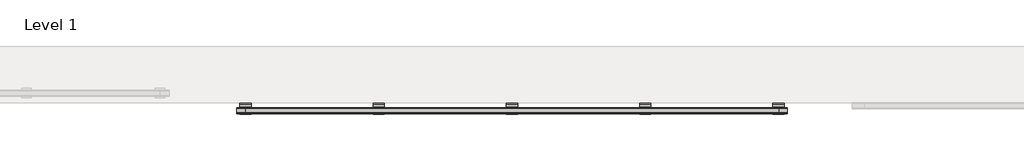
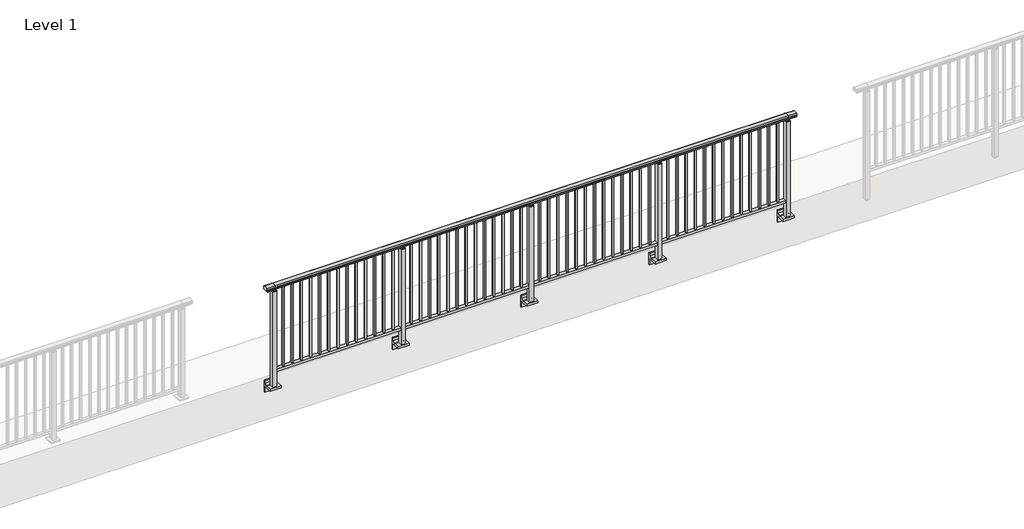
# One storey, part 18 of 64: 1 railing.
"""IFC4 building model written with IfcOpenShell, lengths in millimetres."""

from ifc_helpers import new_model, si_unit, point, frame, frame_2d, origin, place, context, project, spatial, polyline, circle_curve, trimmed, segment, composite_curve, outline, extrude, element, save
from ifc_brep_helpers import plane_surface, cylinder_surface, revolved_surface, advanced_brep

model = new_model("IFC4")

# Units and contexts
model_context = context("Model", 3, world=origin())
ifc_project = project(units=[si_unit("LENGTHUNIT", "METRE", prefix="MILLI")], contexts=[model_context])

# Site, building, storey
site = spatial("IfcSite", under=ifc_project)
building = spatial("IfcBuilding", under=site)
storey = spatial("IfcBuildingStorey", under=building, Name="Level 1", Elevation=0.0)

# Railing
placement = place(None, origin())
element("IfcRailing", 1, at=placement, inside=storey, context=model_context, shape_type="SolidModel", body=[
    advanced_brep(
    [(12910.0, 14842.8633756, 1095.6691182), (12910.0, 14847.6846828, 1081.1334092), (12910.0, 14846.7413744, 1069.2539035), (12910.0, 14848.6364177, 1061.4863007), (12910.0, 14846.9894799, 1060.384124), (12910.0, 14846.9894799, 1062.0), (12910.0, 14788.3798858, 1062.0), (12910.0, 14788.3798858, 1060.384124), (12910.0, 14786.732948, 1061.4863007), (12910.0, 14788.6279912, 1069.2539035), (12910.0, 14787.6846828, 1081.1334092), (12910.0, 14792.50599, 1095.6691182), (18690.0, 14842.8633756, 1095.6691182), (18690.0, 14792.50599, 1095.6691182), (18690.0, 14787.6846828, 1081.1334092), (18690.0, 14788.6279912, 1069.2539035), (18690.0, 14786.732948, 1061.4863007), (18690.0, 14788.3798858, 1060.384124), (18690.0, 14788.3798858, 1062.0), (18690.0, 14846.9894799, 1062.0), (18690.0, 14846.9894799, 1060.384124), (18690.0, 14848.6364177, 1061.4863007), (18690.0, 14846.7413744, 1069.2539035), (18690.0, 14847.6846828, 1081.1334092), (13000.0, 14842.8633756, 1095.6691182), (13000.0, 14847.6846828, 1081.1334092), (13000.0, 14846.7413744, 1069.2539035), (13000.0, 14848.6364177, 1061.4863007), (13000.0, 14846.9894799, 1060.384124), (13000.0, 14846.9894799, 1062.0), (13000.0, 14788.3798858, 1062.0), (13000.0, 14788.3798858, 1060.384124), (13000.0, 14786.732948, 1061.4863007), (13000.0, 14788.6279912, 1069.2539035), (13000.0, 14787.6846828, 1081.1334092), (13000.0, 14792.50599, 1095.6691182), (18600.0, 14842.8633756, 1095.6691182), (18600.0, 14847.6846828, 1081.1334092), (18600.0, 14846.7413744, 1069.2539035), (18600.0, 14848.6364177, 1061.4863007), (18600.0, 14846.9894799, 1060.384124), (18600.0, 14846.9894799, 1062.0), (18600.0, 14788.3798858, 1062.0), (18600.0, 14788.3798858, 1060.384124), (18600.0, 14786.732948, 1061.4863007), (18600.0, 14788.6279912, 1069.2539035), (18600.0, 14787.6846828, 1081.1334092), (18600.0, 14792.50599, 1095.6691182)],
    [
        (0, 1, circle_curve(frame((12910.0, 14839.6223845, 1086.526686), z_axis=(-1.0, 0.0, 0.0), x_axis=(0.0, -1.0, 0.0)), 9.6999015)),
        (1, 2, circle_curve(frame((12910.0, 14865.2252545, 1073.7633709), z_axis=(1.0, 0.0, 0.0), x_axis=(0.0, -1.0, 0.0)), 19.0260117)),
        (2, 3),
        (3, 4, circle_curve(frame((12910.0, 14847.7772073, 1060.9886194), z_axis=(-1.0, 0.0, 0.0), x_axis=(0.0, -1.0, 0.0)), 0.9929396)),
        (4, 5),
        (5, 6),
        (6, 7),
        (7, 8, circle_curve(frame((12910.0, 14787.5921584, 1060.9886194), z_axis=(-1.0, 0.0, 0.0), x_axis=(0.0, 1.0, 0.0)), 0.9929396)),
        (8, 9),
        (9, 10, circle_curve(frame((12910.0, 14770.1441111, 1073.7633709), z_axis=(1.0, 0.0, 0.0), x_axis=(0.0, 1.0, 0.0)), 19.0260117)),
        (10, 11, circle_curve(frame((12910.0, 14795.7469812, 1086.526686), z_axis=(-1.0, 0.0, 0.0), x_axis=(0.0, 1.0, 0.0)), 9.6999015)),
        (11, 0, circle_curve(frame((12910.0, 14817.6846828, 1024.6431628), z_axis=(-1.0, 0.0, 0.0), x_axis=(0.0, 1.0, 0.0)), 75.3568372)),
        (12, 13, circle_curve(frame((18690.0, 14817.6846828, 1024.6431628), z_axis=(1.0, 0.0, 0.0), x_axis=(0.0, 1.0, 0.0)), 75.3568372)),
        (13, 14, circle_curve(frame((18690.0, 14795.7469812, 1086.526686), z_axis=(1.0, 0.0, 0.0), x_axis=(0.0, 1.0, 0.0)), 9.6999015)),
        (14, 15, circle_curve(frame((18690.0, 14770.1441111, 1073.7633709), z_axis=(-1.0, 0.0, 0.0), x_axis=(0.0, 1.0, 0.0)), 19.0260117)),
        (15, 16),
        (16, 17, circle_curve(frame((18690.0, 14787.5921584, 1060.9886194), z_axis=(1.0, 0.0, 0.0), x_axis=(0.0, 1.0, 0.0)), 0.9929396)),
        (17, 18),
        (18, 19),
        (19, 20),
        (20, 21, circle_curve(frame((18690.0, 14847.7772073, 1060.9886194), z_axis=(1.0, 0.0, 0.0), x_axis=(0.0, -1.0, 0.0)), 0.9929396)),
        (21, 22),
        (22, 23, circle_curve(frame((18690.0, 14865.2252545, 1073.7633709), z_axis=(-1.0, 0.0, 0.0), x_axis=(0.0, -1.0, 0.0)), 19.0260117)),
        (23, 12, circle_curve(frame((18690.0, 14839.6223845, 1086.526686), z_axis=(1.0, 0.0, 0.0), x_axis=(0.0, -1.0, 0.0)), 9.6999015)),
        (0, 24),
        (24, 25, circle_curve(frame((13000.0, 14839.6223845, 1086.526686), z_axis=(-1.0, 0.0, 0.0), x_axis=(0.0, -1.0, 0.0)), 9.6999015)),
        (25, 1),
        (25, 26, circle_curve(frame((13000.0, 14865.2252545, 1073.7633709), z_axis=(1.0, 0.0, 0.0), x_axis=(0.0, -1.0, 0.0)), 19.0260117)),
        (26, 2),
        (26, 27),
        (27, 3),
        (27, 28, circle_curve(frame((13000.0, 14847.7772073, 1060.9886194), z_axis=(-1.0, 0.0, 0.0), x_axis=(0.0, -1.0, 0.0)), 0.9929396)),
        (28, 4),
        (28, 29),
        (29, 5),
        (29, 30),
        (30, 6),
        (30, 31),
        (31, 7),
        (31, 32, circle_curve(frame((13000.0, 14787.5921584, 1060.9886194), z_axis=(-1.0, 0.0, 0.0), x_axis=(0.0, 1.0, 0.0)), 0.9929396)),
        (32, 8),
        (32, 33),
        (33, 9),
        (33, 34, circle_curve(frame((13000.0, 14770.1441111, 1073.7633709), z_axis=(1.0, 0.0, 0.0), x_axis=(0.0, 1.0, 0.0)), 19.0260117)),
        (34, 10),
        (34, 35, circle_curve(frame((13000.0, 14795.7469812, 1086.526686), z_axis=(-1.0, 0.0, 0.0), x_axis=(0.0, 1.0, 0.0)), 9.6999015)),
        (35, 11),
        (35, 24, circle_curve(frame((13000.0, 14817.6846828, 1024.6431628), z_axis=(-1.0, 0.0, 0.0), x_axis=(0.0, 1.0, 0.0)), 75.3568372)),
        (24, 36),
        (36, 37, circle_curve(frame((18600.0, 14839.6223845, 1086.526686), z_axis=(-1.0, 0.0, 0.0), x_axis=(0.0, -1.0, 0.0)), 9.6999015)),
        (37, 25),
        (37, 38, circle_curve(frame((18600.0, 14865.2252545, 1073.7633709), z_axis=(1.0, 0.0, 0.0), x_axis=(0.0, -1.0, 0.0)), 19.0260117)),
        (38, 26),
        (38, 39),
        (39, 27),
        (39, 40, circle_curve(frame((18600.0, 14847.7772073, 1060.9886194), z_axis=(-1.0, 0.0, 0.0), x_axis=(0.0, -1.0, 0.0)), 0.9929396)),
        (40, 28),
        (40, 41),
        (41, 29),
        (41, 42),
        (42, 30),
        (42, 43),
        (43, 31),
        (43, 44, circle_curve(frame((18600.0, 14787.5921584, 1060.9886194), z_axis=(-1.0, 0.0, 0.0), x_axis=(0.0, 1.0, 0.0)), 0.9929396)),
        (44, 32),
        (44, 45),
        (45, 33),
        (45, 46, circle_curve(frame((18600.0, 14770.1441111, 1073.7633709), z_axis=(1.0, 0.0, 0.0), x_axis=(0.0, 1.0, 0.0)), 19.0260117)),
        (46, 34),
        (46, 47, circle_curve(frame((18600.0, 14795.7469812, 1086.526686), z_axis=(-1.0, 0.0, 0.0), x_axis=(0.0, 1.0, 0.0)), 9.6999015)),
        (47, 35),
        (47, 36, circle_curve(frame((18600.0, 14817.6846828, 1024.6431628), z_axis=(-1.0, 0.0, 0.0), x_axis=(0.0, 1.0, 0.0)), 75.3568372)),
        (36, 12),
        (23, 37),
        (22, 38),
        (21, 39),
        (20, 40),
        (19, 41),
        (18, 42),
        (17, 43),
        (16, 44),
        (15, 45),
        (14, 46),
        (13, 47),
    ],
    [
        plane_surface(frame((12910.0, 14817.6846828, 1100.0), z_axis=(-1.0, 0.0, 0.0), x_axis=(0.0, 1.0, 0.0))),
        plane_surface(frame((18690.0, 14817.6846828, 1100.0), z_axis=(1.0, 0.0, 0.0), x_axis=(0.0, 1.0, 0.0))),
        cylinder_surface(frame((12910.0, 14839.6223845, 1086.526686), z_axis=(-1.0, 0.0, 0.0), x_axis=(0.0, -1.0, 0.0)), 9.6999015),
        revolved_surface(polyline([(13000.0, 14846.1992428, 1073.7633709), (12910.0, 14846.1992428, 1073.7633709)]), (12910.0, 14865.2252545, 1073.7633709), (1.0, 0.0, 0.0)),
        plane_surface(frame((12910.0, 14846.7413744, 1069.2539035), z_axis=(0.0, 0.9715057689301543, 0.2370159086125439), x_axis=(1.0, 0.0, 0.0))),
        cylinder_surface(frame((12910.0, 14847.7772073, 1060.9886194), z_axis=(-1.0, 0.0, 0.0), x_axis=(0.0, -1.0, 0.0)), 0.9929396),
        plane_surface(frame((12910.0, 14846.9894799, 1060.384124), z_axis=(0.0, -1.0, 0.0), x_axis=(1.0, 0.0, 0.0))),
        plane_surface(frame((12910.0, 14846.9894799, 1062.0), z_axis=(0.0, 0.0, -1.0), x_axis=(1.0, 0.0, 0.0))),
        plane_surface(frame((12910.0, 14788.3798858, 1062.0), z_axis=(0.0, 1.0, 0.0), x_axis=(1.0, 0.0, 0.0))),
        cylinder_surface(frame((12910.0, 14787.5921584, 1060.9886194), z_axis=(-1.0, 0.0, 0.0), x_axis=(0.0, 1.0, 0.0)), 0.9929396),
        plane_surface(frame((12910.0, 14786.732948, 1061.4863007), z_axis=(0.0, -0.9715057689301543, 0.2370159086125439), x_axis=(1.0, 0.0, 0.0))),
        revolved_surface(polyline([(13000.0, 14789.1701228, 1073.7633709), (12910.0, 14789.1701228, 1073.7633709)]), (12910.0, 14770.1441111, 1073.7633709), (1.0, 0.0, 0.0)),
        cylinder_surface(frame((12910.0, 14795.7469812, 1086.526686), z_axis=(-1.0, 0.0, 0.0), x_axis=(0.0, 1.0, 0.0)), 9.6999015),
        cylinder_surface(frame((12910.0, 14817.6846828, 1024.6431628), z_axis=(-1.0, 0.0, 0.0), x_axis=(0.0, 1.0, 0.0)), 75.3568372),
        cylinder_surface(frame((13000.0, 14839.6223845, 1086.526686), z_axis=(-1.0, 0.0, 0.0), x_axis=(0.0, -1.0, 0.0)), 9.6999015),
        revolved_surface(polyline([(18600.0, 14846.1992428, 1073.7633709), (13000.0, 14846.1992428, 1073.7633709)]), (13000.0, 14865.2252545, 1073.7633709), (1.0, 0.0, 0.0)),
        plane_surface(frame((13000.0, 14846.7413744, 1069.2539035), z_axis=(0.0, 0.9715057689301543, 0.2370159086125439), x_axis=(1.0, 0.0, 0.0))),
        cylinder_surface(frame((13000.0, 14847.7772073, 1060.9886194), z_axis=(-1.0, 0.0, 0.0), x_axis=(0.0, -1.0, 0.0)), 0.9929396),
        plane_surface(frame((13000.0, 14846.9894799, 1060.384124), z_axis=(0.0, -1.0, 0.0), x_axis=(1.0, 0.0, 0.0))),
        plane_surface(frame((13000.0, 14846.9894799, 1062.0), z_axis=(0.0, 0.0, -1.0), x_axis=(1.0, 0.0, 0.0))),
        plane_surface(frame((13000.0, 14788.3798858, 1062.0), z_axis=(0.0, 1.0, 0.0), x_axis=(1.0, 0.0, 0.0))),
        cylinder_surface(frame((13000.0, 14787.5921584, 1060.9886194), z_axis=(-1.0, 0.0, 0.0), x_axis=(0.0, 1.0, 0.0)), 0.9929396),
        plane_surface(frame((13000.0, 14786.732948, 1061.4863007), z_axis=(0.0, -0.9715057689301543, 0.2370159086125439), x_axis=(1.0, 0.0, 0.0))),
        revolved_surface(polyline([(18600.0, 14789.1701228, 1073.7633709), (13000.0, 14789.1701228, 1073.7633709)]), (13000.0, 14770.1441111, 1073.7633709), (1.0, 0.0, 0.0)),
        cylinder_surface(frame((13000.0, 14795.7469812, 1086.526686), z_axis=(-1.0, 0.0, 0.0), x_axis=(0.0, 1.0, 0.0)), 9.6999015),
        cylinder_surface(frame((13000.0, 14817.6846828, 1024.6431628), z_axis=(-1.0, 0.0, 0.0), x_axis=(0.0, 1.0, 0.0)), 75.3568372),
        cylinder_surface(frame((18600.0, 14839.6223845, 1086.526686), z_axis=(-1.0, 0.0, 0.0), x_axis=(0.0, -1.0, 0.0)), 9.6999015),
        revolved_surface(polyline([(18690.0, 14846.1992428, 1073.7633709), (18600.0, 14846.1992428, 1073.7633709)]), (18600.0, 14865.2252545, 1073.7633709), (1.0, 0.0, 0.0)),
        plane_surface(frame((18600.0, 14846.7413744, 1069.2539035), z_axis=(0.0, 0.9715057689301543, 0.2370159086125439), x_axis=(1.0, 0.0, 0.0))),
        cylinder_surface(frame((18600.0, 14847.7772073, 1060.9886194), z_axis=(-1.0, 0.0, 0.0), x_axis=(0.0, -1.0, 0.0)), 0.9929396),
        plane_surface(frame((18600.0, 14846.9894799, 1060.384124), z_axis=(0.0, -1.0, 0.0), x_axis=(1.0, 0.0, 0.0))),
        plane_surface(frame((18600.0, 14846.9894799, 1062.0), z_axis=(0.0, 0.0, -1.0), x_axis=(1.0, 0.0, 0.0))),
        plane_surface(frame((18600.0, 14788.3798858, 1062.0), z_axis=(0.0, 1.0, 0.0), x_axis=(1.0, 0.0, 0.0))),
        cylinder_surface(frame((18600.0, 14787.5921584, 1060.9886194), z_axis=(-1.0, 0.0, 0.0), x_axis=(0.0, 1.0, 0.0)), 0.9929396),
        plane_surface(frame((18600.0, 14786.732948, 1061.4863007), z_axis=(0.0, -0.9715057689301543, 0.2370159086125439), x_axis=(1.0, 0.0, 0.0))),
        revolved_surface(polyline([(18690.0, 14789.1701228, 1073.7633709), (18600.0, 14789.1701228, 1073.7633709)]), (18600.0, 14770.1441111, 1073.7633709), (1.0, 0.0, 0.0)),
        cylinder_surface(frame((18600.0, 14795.7469812, 1086.526686), z_axis=(-1.0, 0.0, 0.0), x_axis=(0.0, 1.0, 0.0)), 9.6999015),
        cylinder_surface(frame((18600.0, 14817.6846828, 1024.6431628), z_axis=(-1.0, 0.0, 0.0), x_axis=(0.0, 1.0, 0.0)), 75.3568372),
    ],
    [
        (0, [[1, 2, 3, 4, 5, 6, 7, 8, 9, 10, 11, 12]]),
        (1, [[13, 14, 15, 16, 17, 18, 19, 20, 21, 22, 23, 24]]),
        (2, [[-1, 25, 26, 27]]),
        (3, [[-2, -27, 28, 29]]),
        (4, [[-3, -29, 30, 31]]),
        (5, [[-4, -31, 32, 33]]),
        (6, [[-5, -33, 34, 35]]),
        (7, [[-6, -35, 36, 37]]),
        (8, [[-7, -37, 38, 39]]),
        (9, [[-8, -39, 40, 41]]),
        (10, [[-9, -41, 42, 43]]),
        (11, [[-10, -43, 44, 45]]),
        (12, [[-11, -45, 46, 47]]),
        (13, [[-12, -47, 48, -25]]),
        (14, [[-26, 49, 50, 51]]),
        (15, [[-28, -51, 52, 53]]),
        (16, [[-30, -53, 54, 55]]),
        (17, [[-32, -55, 56, 57]]),
        (18, [[-34, -57, 58, 59]]),
        (19, [[-36, -59, 60, 61]]),
        (20, [[-38, -61, 62, 63]]),
        (21, [[-40, -63, 64, 65]]),
        (22, [[-42, -65, 66, 67]]),
        (23, [[-44, -67, 68, 69]]),
        (24, [[-46, -69, 70, 71]]),
        (25, [[-48, -71, 72, -49]]),
        (26, [[-50, 73, -24, 74]]),
        (27, [[-52, -74, -23, 75]]),
        (28, [[-54, -75, -22, 76]]),
        (29, [[-56, -76, -21, 77]]),
        (30, [[-58, -77, -20, 78]]),
        (31, [[-60, -78, -19, 79]]),
        (32, [[-62, -79, -18, 80]]),
        (33, [[-64, -80, -17, 81]]),
        (34, [[-66, -81, -16, 82]]),
        (35, [[-68, -82, -15, 83]]),
        (36, [[-70, -83, -14, 84]]),
        (37, [[-72, -84, -13, -73]]),
    ],
),
    extrude(outline(polyline([(13000.0, 14800.1846828), (13000.0, 14835.1846828), (18600.0, 14835.1846828), (18600.0, 14800.1846828), (13000.0, 14800.1846828)])), frame((0.0, 0.0, 95.0), z_axis=(0.0, 0.0, 1.0), x_axis=(1.0, 0.0, 0.0)), (0.0, 0.0, 1.0), 30.0),
    extrude(outline(polyline([(18508.5, 14809.1846828), (18491.5, 14809.1846828), (18491.5, 14826.1846828), (18508.5, 14826.1846828), (18508.5, 14809.1846828)])), frame((0.0, 0.0, 125.0), z_axis=(0.0, 0.0, 1.0), x_axis=(1.0, 0.0, 0.0)), (0.0, 0.0, 1.0), 930.0),
    extrude(outline(polyline([(18408.5, 14809.1846828), (18391.5, 14809.1846828), (18391.5, 14826.1846828), (18408.5, 14826.1846828), (18408.5, 14809.1846828)])), frame((0.0, 0.0, 125.0), z_axis=(0.0, 0.0, 1.0), x_axis=(1.0, 0.0, 0.0)), (0.0, 0.0, 1.0), 930.0),
    extrude(outline(polyline([(18308.5, 14809.1846828), (18291.5, 14809.1846828), (18291.5, 14826.1846828), (18308.5, 14826.1846828), (18308.5, 14809.1846828)])), frame((0.0, 0.0, 125.0), z_axis=(0.0, 0.0, 1.0), x_axis=(1.0, 0.0, 0.0)), (0.0, 0.0, 1.0), 930.0),
    extrude(outline(polyline([(18208.5, 14809.1846828), (18191.5, 14809.1846828), (18191.5, 14826.1846828), (18208.5, 14826.1846828), (18208.5, 14809.1846828)])), frame((0.0, 0.0, 125.0), z_axis=(0.0, 0.0, 1.0), x_axis=(1.0, 0.0, 0.0)), (0.0, 0.0, 1.0), 930.0),
    extrude(outline(polyline([(18108.5, 14809.1846828), (18091.5, 14809.1846828), (18091.5, 14826.1846828), (18108.5, 14826.1846828), (18108.5, 14809.1846828)])), frame((0.0, 0.0, 125.0), z_axis=(0.0, 0.0, 1.0), x_axis=(1.0, 0.0, 0.0)), (0.0, 0.0, 1.0), 930.0),
    extrude(outline(polyline([(18008.5, 14809.1846828), (17991.5, 14809.1846828), (17991.5, 14826.1846828), (18008.5, 14826.1846828), (18008.5, 14809.1846828)])), frame((0.0, 0.0, 125.0), z_axis=(0.0, 0.0, 1.0), x_axis=(1.0, 0.0, 0.0)), (0.0, 0.0, 1.0), 930.0),
    extrude(outline(polyline([(17908.5, 14809.1846828), (17891.5, 14809.1846828), (17891.5, 14826.1846828), (17908.5, 14826.1846828), (17908.5, 14809.1846828)])), frame((0.0, 0.0, 125.0), z_axis=(0.0, 0.0, 1.0), x_axis=(1.0, 0.0, 0.0)), (0.0, 0.0, 1.0), 930.0),
    extrude(outline(polyline([(17808.5, 14809.1846828), (17791.5, 14809.1846828), (17791.5, 14826.1846828), (17808.5, 14826.1846828), (17808.5, 14809.1846828)])), frame((0.0, 0.0, 125.0), z_axis=(0.0, 0.0, 1.0), x_axis=(1.0, 0.0, 0.0)), (0.0, 0.0, 1.0), 930.0),
    extrude(outline(polyline([(17708.5, 14809.1846828), (17691.5, 14809.1846828), (17691.5, 14826.1846828), (17708.5, 14826.1846828), (17708.5, 14809.1846828)])), frame((0.0, 0.0, 125.0), z_axis=(0.0, 0.0, 1.0), x_axis=(1.0, 0.0, 0.0)), (0.0, 0.0, 1.0), 930.0),
    extrude(outline(polyline([(17608.5, 14809.1846828), (17591.5, 14809.1846828), (17591.5, 14826.1846828), (17608.5, 14826.1846828), (17608.5, 14809.1846828)])), frame((0.0, 0.0, 125.0), z_axis=(0.0, 0.0, 1.0), x_axis=(1.0, 0.0, 0.0)), (0.0, 0.0, 1.0), 930.0),
    extrude(outline(polyline([(17508.5, 14809.1846828), (17491.5, 14809.1846828), (17491.5, 14826.1846828), (17508.5, 14826.1846828), (17508.5, 14809.1846828)])), frame((0.0, 0.0, 125.0), z_axis=(0.0, 0.0, 1.0), x_axis=(1.0, 0.0, 0.0)), (0.0, 0.0, 1.0), 930.0),
    extrude(outline(polyline([(17408.5, 14809.1846828), (17391.5, 14809.1846828), (17391.5, 14826.1846828), (17408.5, 14826.1846828), (17408.5, 14809.1846828)])), frame((0.0, 0.0, 125.0), z_axis=(0.0, 0.0, 1.0), x_axis=(1.0, 0.0, 0.0)), (0.0, 0.0, 1.0), 930.0),
    extrude(outline(polyline([(17308.5, 14809.1846828), (17291.5, 14809.1846828), (17291.5, 14826.1846828), (17308.5, 14826.1846828), (17308.5, 14809.1846828)])), frame((0.0, 0.0, 125.0), z_axis=(0.0, 0.0, 1.0), x_axis=(1.0, 0.0, 0.0)), (0.0, 0.0, 1.0), 930.0),
    extrude(outline(composite_curve([segment(polyline([(14850.1846828, -70.0), (14884.1846828, -63.0), (14884.1846828, -32.5), (14900.1846828, -32.5), (14900.1846828, -167.5), (14884.1846828, -167.5), (14884.1846828, -113.5)]), True, "CONTINUOUS"), segment(trimmed(circle_curve(frame_2d((14864.1846828, -113.5)), 20.0), [point((14884.1846828, -113.5))], [point((14864.1846828, -93.5))], True, "CARTESIAN"), True, "CONTINUOUS"), segment(polyline([(14864.1846828, -93.5), (14780.1846828, -93.5), (14780.1846828, -70.0), (14850.1846828, -70.0)]), True, "CONTINUOUS")], self_intersect=False)), frame((17140.0, 0.0, 0.0), z_axis=(1.0, 0.0, 0.0), x_axis=(0.0, 1.0, 0.0)), (0.0, 0.0, 1.0), 120.0),
    extrude(outline(polyline([(17222.5, 14840.1846828), (17222.5, 14795.1846828), (17177.5, 14795.1846828), (17177.5, 14840.1846828), (17222.5, 14840.1846828)])), frame((0.0, 0.0, -70.0), z_axis=(0.0, 0.0, 1.0), x_axis=(1.0, 0.0, 0.0)), (0.0, 0.0, 1.0), 1097.0),
    extrude(outline(polyline([(17210.0, 14827.6846828), (17210.0, 14807.6846828), (17190.0, 14807.6846828), (17190.0, 14827.6846828), (17210.0, 14827.6846828)])), frame((0.0, 0.0, 1035.0), z_axis=(0.0, 0.0, 1.0), x_axis=(1.0, 0.0, 0.0)), (0.0, 0.0, 1.0), 20.0),
    extrude(outline(polyline([(17222.5, 14840.1846828), (17222.5, 14795.1846828), (17177.5, 14795.1846828), (17177.5, 14840.1846828), (17222.5, 14840.1846828)])), frame((0.0, 0.0, 1027.0), z_axis=(0.0, 0.0, 1.0), x_axis=(1.0, 0.0, 0.0)), (0.0, 0.0, 1.0), 8.0),
    extrude(outline(polyline([(17108.5, 14809.1846828), (17091.5, 14809.1846828), (17091.5, 14826.1846828), (17108.5, 14826.1846828), (17108.5, 14809.1846828)])), frame((0.0, 0.0, 125.0), z_axis=(0.0, 0.0, 1.0), x_axis=(1.0, 0.0, 0.0)), (0.0, 0.0, 1.0), 930.0),
    extrude(outline(polyline([(17008.5, 14809.1846828), (16991.5, 14809.1846828), (16991.5, 14826.1846828), (17008.5, 14826.1846828), (17008.5, 14809.1846828)])), frame((0.0, 0.0, 125.0), z_axis=(0.0, 0.0, 1.0), x_axis=(1.0, 0.0, 0.0)), (0.0, 0.0, 1.0), 930.0),
    extrude(outline(polyline([(16908.5, 14809.1846828), (16891.5, 14809.1846828), (16891.5, 14826.1846828), (16908.5, 14826.1846828), (16908.5, 14809.1846828)])), frame((0.0, 0.0, 125.0), z_axis=(0.0, 0.0, 1.0), x_axis=(1.0, 0.0, 0.0)), (0.0, 0.0, 1.0), 930.0),
    extrude(outline(polyline([(16808.5, 14809.1846828), (16791.5, 14809.1846828), (16791.5, 14826.1846828), (16808.5, 14826.1846828), (16808.5, 14809.1846828)])), frame((0.0, 0.0, 125.0), z_axis=(0.0, 0.0, 1.0), x_axis=(1.0, 0.0, 0.0)), (0.0, 0.0, 1.0), 930.0),
    extrude(outline(polyline([(16708.5, 14809.1846828), (16691.5, 14809.1846828), (16691.5, 14826.1846828), (16708.5, 14826.1846828), (16708.5, 14809.1846828)])), frame((0.0, 0.0, 125.0), z_axis=(0.0, 0.0, 1.0), x_axis=(1.0, 0.0, 0.0)), (0.0, 0.0, 1.0), 930.0),
    extrude(outline(polyline([(16608.5, 14809.1846828), (16591.5, 14809.1846828), (16591.5, 14826.1846828), (16608.5, 14826.1846828), (16608.5, 14809.1846828)])), frame((0.0, 0.0, 125.0), z_axis=(0.0, 0.0, 1.0), x_axis=(1.0, 0.0, 0.0)), (0.0, 0.0, 1.0), 930.0),
    extrude(outline(polyline([(16508.5, 14809.1846828), (16491.5, 14809.1846828), (16491.5, 14826.1846828), (16508.5, 14826.1846828), (16508.5, 14809.1846828)])), frame((0.0, 0.0, 125.0), z_axis=(0.0, 0.0, 1.0), x_axis=(1.0, 0.0, 0.0)), (0.0, 0.0, 1.0), 930.0),
    extrude(outline(polyline([(16408.5, 14809.1846828), (16391.5, 14809.1846828), (16391.5, 14826.1846828), (16408.5, 14826.1846828), (16408.5, 14809.1846828)])), frame((0.0, 0.0, 125.0), z_axis=(0.0, 0.0, 1.0), x_axis=(1.0, 0.0, 0.0)), (0.0, 0.0, 1.0), 930.0),
    extrude(outline(polyline([(16308.5, 14809.1846828), (16291.5, 14809.1846828), (16291.5, 14826.1846828), (16308.5, 14826.1846828), (16308.5, 14809.1846828)])), frame((0.0, 0.0, 125.0), z_axis=(0.0, 0.0, 1.0), x_axis=(1.0, 0.0, 0.0)), (0.0, 0.0, 1.0), 930.0),
    extrude(outline(polyline([(16208.5, 14809.1846828), (16191.5, 14809.1846828), (16191.5, 14826.1846828), (16208.5, 14826.1846828), (16208.5, 14809.1846828)])), frame((0.0, 0.0, 125.0), z_axis=(0.0, 0.0, 1.0), x_axis=(1.0, 0.0, 0.0)), (0.0, 0.0, 1.0), 930.0),
    extrude(outline(polyline([(16108.5, 14809.1846828), (16091.5, 14809.1846828), (16091.5, 14826.1846828), (16108.5, 14826.1846828), (16108.5, 14809.1846828)])), frame((0.0, 0.0, 125.0), z_axis=(0.0, 0.0, 1.0), x_axis=(1.0, 0.0, 0.0)), (0.0, 0.0, 1.0), 930.0),
    extrude(outline(polyline([(16008.5, 14809.1846828), (15991.5, 14809.1846828), (15991.5, 14826.1846828), (16008.5, 14826.1846828), (16008.5, 14809.1846828)])), frame((0.0, 0.0, 125.0), z_axis=(0.0, 0.0, 1.0), x_axis=(1.0, 0.0, 0.0)), (0.0, 0.0, 1.0), 930.0),
    extrude(outline(polyline([(15908.5, 14809.1846828), (15891.5, 14809.1846828), (15891.5, 14826.1846828), (15908.5, 14826.1846828), (15908.5, 14809.1846828)])), frame((0.0, 0.0, 125.0), z_axis=(0.0, 0.0, 1.0), x_axis=(1.0, 0.0, 0.0)), (0.0, 0.0, 1.0), 930.0),
    extrude(outline(composite_curve([segment(polyline([(14850.1846828, -70.0), (14884.1846828, -63.0), (14884.1846828, -32.5), (14900.1846828, -32.5), (14900.1846828, -167.5), (14884.1846828, -167.5), (14884.1846828, -113.5)]), True, "CONTINUOUS"), segment(trimmed(circle_curve(frame_2d((14864.1846828, -113.5)), 20.0), [point((14884.1846828, -113.5))], [point((14864.1846828, -93.5))], True, "CARTESIAN"), True, "CONTINUOUS"), segment(polyline([(14864.1846828, -93.5), (14780.1846828, -93.5), (14780.1846828, -70.0), (14850.1846828, -70.0)]), True, "CONTINUOUS")], self_intersect=False)), frame((15740.0, 0.0, 0.0), z_axis=(1.0, 0.0, 0.0), x_axis=(0.0, 1.0, 0.0)), (0.0, 0.0, 1.0), 120.0),
    extrude(outline(polyline([(15822.5, 14840.1846828), (15822.5, 14795.1846828), (15777.5, 14795.1846828), (15777.5, 14840.1846828), (15822.5, 14840.1846828)])), frame((0.0, 0.0, -70.0), z_axis=(0.0, 0.0, 1.0), x_axis=(1.0, 0.0, 0.0)), (0.0, 0.0, 1.0), 1097.0),
    extrude(outline(polyline([(15810.0, 14827.6846828), (15810.0, 14807.6846828), (15790.0, 14807.6846828), (15790.0, 14827.6846828), (15810.0, 14827.6846828)])), frame((0.0, 0.0, 1035.0), z_axis=(0.0, 0.0, 1.0), x_axis=(1.0, 0.0, 0.0)), (0.0, 0.0, 1.0), 20.0),
    extrude(outline(polyline([(15822.5, 14840.1846828), (15822.5, 14795.1846828), (15777.5, 14795.1846828), (15777.5, 14840.1846828), (15822.5, 14840.1846828)])), frame((0.0, 0.0, 1027.0), z_axis=(0.0, 0.0, 1.0), x_axis=(1.0, 0.0, 0.0)), (0.0, 0.0, 1.0), 8.0),
    extrude(outline(polyline([(15708.5, 14809.1846828), (15691.5, 14809.1846828), (15691.5, 14826.1846828), (15708.5, 14826.1846828), (15708.5, 14809.1846828)])), frame((0.0, 0.0, 125.0), z_axis=(0.0, 0.0, 1.0), x_axis=(1.0, 0.0, 0.0)), (0.0, 0.0, 1.0), 930.0),
    extrude(outline(polyline([(15608.5, 14809.1846828), (15591.5, 14809.1846828), (15591.5, 14826.1846828), (15608.5, 14826.1846828), (15608.5, 14809.1846828)])), frame((0.0, 0.0, 125.0), z_axis=(0.0, 0.0, 1.0), x_axis=(1.0, 0.0, 0.0)), (0.0, 0.0, 1.0), 930.0),
    extrude(outline(polyline([(15508.5, 14809.1846828), (15491.5, 14809.1846828), (15491.5, 14826.1846828), (15508.5, 14826.1846828), (15508.5, 14809.1846828)])), frame((0.0, 0.0, 125.0), z_axis=(0.0, 0.0, 1.0), x_axis=(1.0, 0.0, 0.0)), (0.0, 0.0, 1.0), 930.0),
    extrude(outline(polyline([(15408.5, 14809.1846828), (15391.5, 14809.1846828), (15391.5, 14826.1846828), (15408.5, 14826.1846828), (15408.5, 14809.1846828)])), frame((0.0, 0.0, 125.0), z_axis=(0.0, 0.0, 1.0), x_axis=(1.0, 0.0, 0.0)), (0.0, 0.0, 1.0), 930.0),
    extrude(outline(polyline([(15308.5, 14809.1846828), (15291.5, 14809.1846828), (15291.5, 14826.1846828), (15308.5, 14826.1846828), (15308.5, 14809.1846828)])), frame((0.0, 0.0, 125.0), z_axis=(0.0, 0.0, 1.0), x_axis=(1.0, 0.0, 0.0)), (0.0, 0.0, 1.0), 930.0),
    extrude(outline(polyline([(15208.5, 14809.1846828), (15191.5, 14809.1846828), (15191.5, 14826.1846828), (15208.5, 14826.1846828), (15208.5, 14809.1846828)])), frame((0.0, 0.0, 125.0), z_axis=(0.0, 0.0, 1.0), x_axis=(1.0, 0.0, 0.0)), (0.0, 0.0, 1.0), 930.0),
    extrude(outline(polyline([(15108.5, 14809.1846828), (15091.5, 14809.1846828), (15091.5, 14826.1846828), (15108.5, 14826.1846828), (15108.5, 14809.1846828)])), frame((0.0, 0.0, 125.0), z_axis=(0.0, 0.0, 1.0), x_axis=(1.0, 0.0, 0.0)), (0.0, 0.0, 1.0), 930.0),
    extrude(outline(polyline([(15008.5, 14809.1846828), (14991.5, 14809.1846828), (14991.5, 14826.1846828), (15008.5, 14826.1846828), (15008.5, 14809.1846828)])), frame((0.0, 0.0, 125.0), z_axis=(0.0, 0.0, 1.0), x_axis=(1.0, 0.0, 0.0)), (0.0, 0.0, 1.0), 930.0),
    extrude(outline(polyline([(14908.5, 14809.1846828), (14891.5, 14809.1846828), (14891.5, 14826.1846828), (14908.5, 14826.1846828), (14908.5, 14809.1846828)])), frame((0.0, 0.0, 125.0), z_axis=(0.0, 0.0, 1.0), x_axis=(1.0, 0.0, 0.0)), (0.0, 0.0, 1.0), 930.0),
    extrude(outline(polyline([(14808.5, 14809.1846828), (14791.5, 14809.1846828), (14791.5, 14826.1846828), (14808.5, 14826.1846828), (14808.5, 14809.1846828)])), frame((0.0, 0.0, 125.0), z_axis=(0.0, 0.0, 1.0), x_axis=(1.0, 0.0, 0.0)), (0.0, 0.0, 1.0), 930.0),
    extrude(outline(polyline([(14708.5, 14809.1846828), (14691.5, 14809.1846828), (14691.5, 14826.1846828), (14708.5, 14826.1846828), (14708.5, 14809.1846828)])), frame((0.0, 0.0, 125.0), z_axis=(0.0, 0.0, 1.0), x_axis=(1.0, 0.0, 0.0)), (0.0, 0.0, 1.0), 930.0),
    extrude(outline(polyline([(14608.5, 14809.1846828), (14591.5, 14809.1846828), (14591.5, 14826.1846828), (14608.5, 14826.1846828), (14608.5, 14809.1846828)])), frame((0.0, 0.0, 125.0), z_axis=(0.0, 0.0, 1.0), x_axis=(1.0, 0.0, 0.0)), (0.0, 0.0, 1.0), 930.0),
    extrude(outline(polyline([(14508.5, 14809.1846828), (14491.5, 14809.1846828), (14491.5, 14826.1846828), (14508.5, 14826.1846828), (14508.5, 14809.1846828)])), frame((0.0, 0.0, 125.0), z_axis=(0.0, 0.0, 1.0), x_axis=(1.0, 0.0, 0.0)), (0.0, 0.0, 1.0), 930.0),
    extrude(outline(composite_curve([segment(polyline([(14850.1846828, -70.0), (14884.1846828, -63.0), (14884.1846828, -32.5), (14900.1846828, -32.5), (14900.1846828, -167.5), (14884.1846828, -167.5), (14884.1846828, -113.5)]), True, "CONTINUOUS"), segment(trimmed(circle_curve(frame_2d((14864.1846828, -113.5)), 20.0), [point((14884.1846828, -113.5))], [point((14864.1846828, -93.5))], True, "CARTESIAN"), True, "CONTINUOUS"), segment(polyline([(14864.1846828, -93.5), (14780.1846828, -93.5), (14780.1846828, -70.0), (14850.1846828, -70.0)]), True, "CONTINUOUS")], self_intersect=False)), frame((14340.0, 0.0, 0.0), z_axis=(1.0, 0.0, 0.0), x_axis=(0.0, 1.0, 0.0)), (0.0, 0.0, 1.0), 120.0),
    extrude(outline(polyline([(14422.5, 14840.1846828), (14422.5, 14795.1846828), (14377.5, 14795.1846828), (14377.5, 14840.1846828), (14422.5, 14840.1846828)])), frame((0.0, 0.0, -70.0), z_axis=(0.0, 0.0, 1.0), x_axis=(1.0, 0.0, 0.0)), (0.0, 0.0, 1.0), 1097.0),
    extrude(outline(polyline([(14410.0, 14827.6846828), (14410.0, 14807.6846828), (14390.0, 14807.6846828), (14390.0, 14827.6846828), (14410.0, 14827.6846828)])), frame((0.0, 0.0, 1035.0), z_axis=(0.0, 0.0, 1.0), x_axis=(1.0, 0.0, 0.0)), (0.0, 0.0, 1.0), 20.0),
    extrude(outline(polyline([(14422.5, 14840.1846828), (14422.5, 14795.1846828), (14377.5, 14795.1846828), (14377.5, 14840.1846828), (14422.5, 14840.1846828)])), frame((0.0, 0.0, 1027.0), z_axis=(0.0, 0.0, 1.0), x_axis=(1.0, 0.0, 0.0)), (0.0, 0.0, 1.0), 8.0),
    extrude(outline(polyline([(14308.5, 14809.1846828), (14291.5, 14809.1846828), (14291.5, 14826.1846828), (14308.5, 14826.1846828), (14308.5, 14809.1846828)])), frame((0.0, 0.0, 125.0), z_axis=(0.0, 0.0, 1.0), x_axis=(1.0, 0.0, 0.0)), (0.0, 0.0, 1.0), 930.0),
    extrude(outline(polyline([(14208.5, 14809.1846828), (14191.5, 14809.1846828), (14191.5, 14826.1846828), (14208.5, 14826.1846828), (14208.5, 14809.1846828)])), frame((0.0, 0.0, 125.0), z_axis=(0.0, 0.0, 1.0), x_axis=(1.0, 0.0, 0.0)), (0.0, 0.0, 1.0), 930.0),
    extrude(outline(polyline([(14108.5, 14809.1846828), (14091.5, 14809.1846828), (14091.5, 14826.1846828), (14108.5, 14826.1846828), (14108.5, 14809.1846828)])), frame((0.0, 0.0, 125.0), z_axis=(0.0, 0.0, 1.0), x_axis=(1.0, 0.0, 0.0)), (0.0, 0.0, 1.0), 930.0),
    extrude(outline(polyline([(14008.5, 14809.1846828), (13991.5, 14809.1846828), (13991.5, 14826.1846828), (14008.5, 14826.1846828), (14008.5, 14809.1846828)])), frame((0.0, 0.0, 125.0), z_axis=(0.0, 0.0, 1.0), x_axis=(1.0, 0.0, 0.0)), (0.0, 0.0, 1.0), 930.0),
    extrude(outline(polyline([(13908.5, 14809.1846828), (13891.5, 14809.1846828), (13891.5, 14826.1846828), (13908.5, 14826.1846828), (13908.5, 14809.1846828)])), frame((0.0, 0.0, 125.0), z_axis=(0.0, 0.0, 1.0), x_axis=(1.0, 0.0, 0.0)), (0.0, 0.0, 1.0), 930.0),
    extrude(outline(polyline([(13808.5, 14809.1846828), (13791.5, 14809.1846828), (13791.5, 14826.1846828), (13808.5, 14826.1846828), (13808.5, 14809.1846828)])), frame((0.0, 0.0, 125.0), z_axis=(0.0, 0.0, 1.0), x_axis=(1.0, 0.0, 0.0)), (0.0, 0.0, 1.0), 930.0),
    extrude(outline(polyline([(13708.5, 14809.1846828), (13691.5, 14809.1846828), (13691.5, 14826.1846828), (13708.5, 14826.1846828), (13708.5, 14809.1846828)])), frame((0.0, 0.0, 125.0), z_axis=(0.0, 0.0, 1.0), x_axis=(1.0, 0.0, 0.0)), (0.0, 0.0, 1.0), 930.0),
    extrude(outline(polyline([(13608.5, 14809.1846828), (13591.5, 14809.1846828), (13591.5, 14826.1846828), (13608.5, 14826.1846828), (13608.5, 14809.1846828)])), frame((0.0, 0.0, 125.0), z_axis=(0.0, 0.0, 1.0), x_axis=(1.0, 0.0, 0.0)), (0.0, 0.0, 1.0), 930.0),
    extrude(outline(polyline([(13508.5, 14809.1846828), (13491.5, 14809.1846828), (13491.5, 14826.1846828), (13508.5, 14826.1846828), (13508.5, 14809.1846828)])), frame((0.0, 0.0, 125.0), z_axis=(0.0, 0.0, 1.0), x_axis=(1.0, 0.0, 0.0)), (0.0, 0.0, 1.0), 930.0),
    extrude(outline(polyline([(13408.5, 14809.1846828), (13391.5, 14809.1846828), (13391.5, 14826.1846828), (13408.5, 14826.1846828), (13408.5, 14809.1846828)])), frame((0.0, 0.0, 125.0), z_axis=(0.0, 0.0, 1.0), x_axis=(1.0, 0.0, 0.0)), (0.0, 0.0, 1.0), 930.0),
    extrude(outline(polyline([(13308.5, 14809.1846828), (13291.5, 14809.1846828), (13291.5, 14826.1846828), (13308.5, 14826.1846828), (13308.5, 14809.1846828)])), frame((0.0, 0.0, 125.0), z_axis=(0.0, 0.0, 1.0), x_axis=(1.0, 0.0, 0.0)), (0.0, 0.0, 1.0), 930.0),
    extrude(outline(polyline([(13208.5, 14809.1846828), (13191.5, 14809.1846828), (13191.5, 14826.1846828), (13208.5, 14826.1846828), (13208.5, 14809.1846828)])), frame((0.0, 0.0, 125.0), z_axis=(0.0, 0.0, 1.0), x_axis=(1.0, 0.0, 0.0)), (0.0, 0.0, 1.0), 930.0),
    extrude(outline(polyline([(13108.5, 14809.1846828), (13091.5, 14809.1846828), (13091.5, 14826.1846828), (13108.5, 14826.1846828), (13108.5, 14809.1846828)])), frame((0.0, 0.0, 125.0), z_axis=(0.0, 0.0, 1.0), x_axis=(1.0, 0.0, 0.0)), (0.0, 0.0, 1.0), 930.0),
    extrude(outline(composite_curve([segment(polyline([(14850.1846828, -70.0), (14884.1846828, -63.0), (14884.1846828, -32.5), (14900.1846828, -32.5), (14900.1846828, -167.5), (14884.1846828, -167.5), (14884.1846828, -113.5)]), True, "CONTINUOUS"), segment(trimmed(circle_curve(frame_2d((14864.1846828, -113.5)), 20.0), [point((14884.1846828, -113.5))], [point((14864.1846828, -93.5))], True, "CARTESIAN"), True, "CONTINUOUS"), segment(polyline([(14864.1846828, -93.5), (14780.1846828, -93.5), (14780.1846828, -70.0), (14850.1846828, -70.0)]), True, "CONTINUOUS")], self_intersect=False)), frame((18540.0, 0.0, 0.0), z_axis=(1.0, 0.0, 0.0), x_axis=(0.0, 1.0, 0.0)), (0.0, 0.0, 1.0), 120.0),
    extrude(outline(polyline([(18622.5, 14840.1846828), (18622.5, 14795.1846828), (18577.5, 14795.1846828), (18577.5, 14840.1846828), (18622.5, 14840.1846828)])), frame((0.0, 0.0, -70.0), z_axis=(0.0, 0.0, 1.0), x_axis=(1.0, 0.0, 0.0)), (0.0, 0.0, 1.0), 1097.0),
    extrude(outline(polyline([(18610.0, 14827.6846828), (18610.0, 14807.6846828), (18590.0, 14807.6846828), (18590.0, 14827.6846828), (18610.0, 14827.6846828)])), frame((0.0, 0.0, 1035.0), z_axis=(0.0, 0.0, 1.0), x_axis=(1.0, 0.0, 0.0)), (0.0, 0.0, 1.0), 20.0),
    extrude(outline(polyline([(18622.5, 14840.1846828), (18622.5, 14795.1846828), (18577.5, 14795.1846828), (18577.5, 14840.1846828), (18622.5, 14840.1846828)])), frame((0.0, 0.0, 1027.0), z_axis=(0.0, 0.0, 1.0), x_axis=(1.0, 0.0, 0.0)), (0.0, 0.0, 1.0), 8.0),
    extrude(outline(composite_curve([segment(polyline([(14850.1846828, -70.0), (14884.1846828, -63.0), (14884.1846828, -32.5), (14900.1846828, -32.5), (14900.1846828, -167.5), (14884.1846828, -167.5), (14884.1846828, -113.5)]), True, "CONTINUOUS"), segment(trimmed(circle_curve(frame_2d((14864.1846828, -113.5)), 20.0), [point((14884.1846828, -113.5))], [point((14864.1846828, -93.5))], True, "CARTESIAN"), True, "CONTINUOUS"), segment(polyline([(14864.1846828, -93.5), (14780.1846828, -93.5), (14780.1846828, -70.0), (14850.1846828, -70.0)]), True, "CONTINUOUS")], self_intersect=False)), frame((12940.0, 0.0, 0.0), z_axis=(1.0, 0.0, 0.0), x_axis=(0.0, 1.0, 0.0)), (0.0, 0.0, 1.0), 120.0),
    extrude(outline(polyline([(13022.5, 14840.1846828), (13022.5, 14795.1846828), (12977.5, 14795.1846828), (12977.5, 14840.1846828), (13022.5, 14840.1846828)])), frame((0.0, 0.0, -70.0), z_axis=(0.0, 0.0, 1.0), x_axis=(1.0, 0.0, 0.0)), (0.0, 0.0, 1.0), 1097.0),
    extrude(outline(polyline([(13010.0, 14827.6846828), (13010.0, 14807.6846828), (12990.0, 14807.6846828), (12990.0, 14827.6846828), (13010.0, 14827.6846828)])), frame((0.0, 0.0, 1035.0), z_axis=(0.0, 0.0, 1.0), x_axis=(1.0, 0.0, 0.0)), (0.0, 0.0, 1.0), 20.0),
    extrude(outline(polyline([(13022.5, 14840.1846828), (13022.5, 14795.1846828), (12977.5, 14795.1846828), (12977.5, 14840.1846828), (13022.5, 14840.1846828)])), frame((0.0, 0.0, 1027.0), z_axis=(0.0, 0.0, 1.0), x_axis=(1.0, 0.0, 0.0)), (0.0, 0.0, 1.0), 8.0),
])

save(model, "model.ifc")
